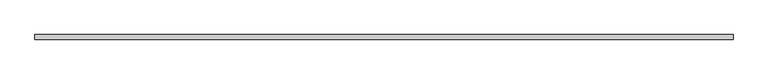
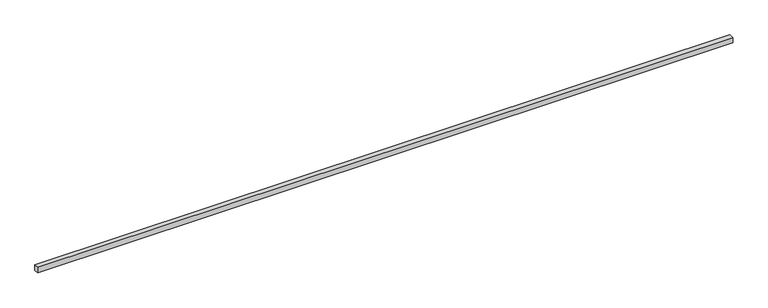
"""IFC4 building model written with IfcOpenShell, lengths in millimetres: proxy geometry."""

from ifc_helpers import new_model, si_unit, origin, origin_with_axes, place, context, project, spatial, polyline, outline, extrude, source, transform, mapped, element, save


def generic_models_878c8a3f(model_context):
    return source(origin(), model_context, "Body", "SweptSolid", [
        extrude(outline(polyline([(12081.9040124, -40.0), (0.0, -40.0), (0.0, 40.0), (12081.9040124, 40.0), (12081.9040124, -40.0)])), origin_with_axes(), (0.0, 0.0, 1.0), 100.0),
    ])


if __name__ == "__main__":
    model = new_model("IFC4")
    model_context = context("Model", 3, world=origin())
    ifc_project = project(units=[si_unit("LENGTHUNIT", "METRE", prefix="MILLI")], contexts=[model_context])
    site = spatial("IfcSite", under=ifc_project)
    building = spatial("IfcBuilding", under=site)
    placement = place(None, origin())
    generic_models_shape = generic_models_878c8a3f(model_context)
    element("IfcBuildingElementProxy", 1, Name="Generic Models", at=placement, inside=building, context=model_context, shape_type="MappedRepresentation", body=[
        mapped(generic_models_shape, transform((0.0, 0.0, 0.0), x_axis=(1.0, 0.0, 0.0), y_axis=(0.0, 1.0, 0.0), z_axis=(0.0, 0.0, 1.0))),
    ])
    save(model, "model.ifc")
